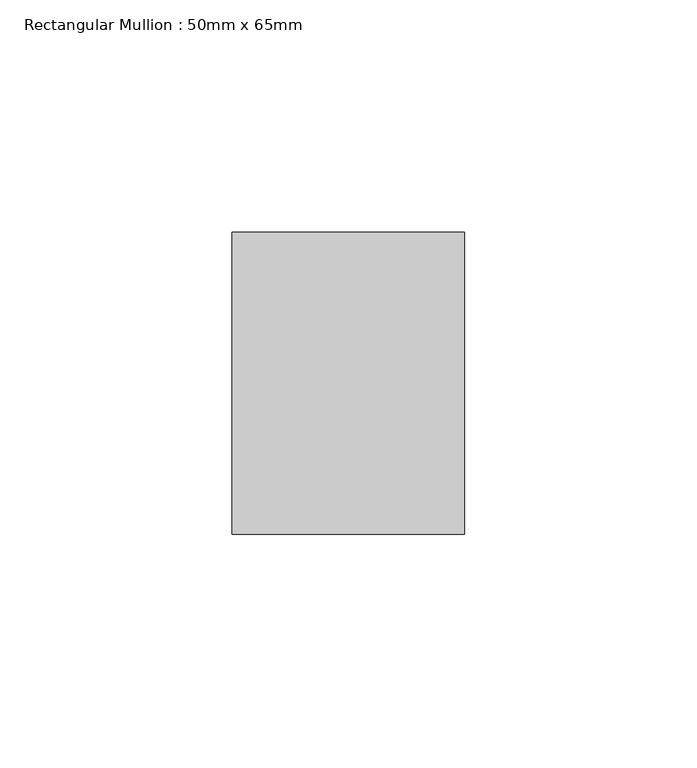
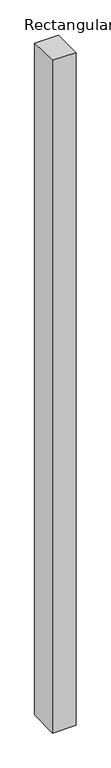
"""IFC4 building model written with IfcOpenShell, lengths in millimetres: member geometry, Rectangular Mullion : 50mm x 65mm."""

from ifc_helpers import new_model, si_unit, origin, place, context, project, spatial, faceted_brep, source, transform, mapped, element, save


def rectangular_mullion_50mm_x_65mm_18242b77(model_context):
    return source(origin(), model_context, "Body", "Brep", [
        faceted_brep([(-25.0, 32.5, -0.5683168), (25.0, 32.5, -0.568323), (25.0, 32.5, -1499.2871489), (-25.0, 32.5, -1499.2871567), (-25.0, -32.5, 0.568323), (-25.0, -32.5, -1500.7125728), (25.0, -32.5, 0.5683168), (25.0, -32.5, -1500.7125651)], [[[0, 1, 2, 3]], [[4, 0, 3, 5]], [[6, 4, 5, 7]], [[1, 6, 7, 2]], [[1, 0, 4, 6]], [[2, 7, 5, 3]]]),
    ])


if __name__ == "__main__":
    model = new_model("IFC4")
    model_context = context("Model", 3, world=origin())
    ifc_project = project(units=[si_unit("LENGTHUNIT", "METRE", prefix="MILLI")], contexts=[model_context])
    site = spatial("IfcSite", under=ifc_project)
    building = spatial("IfcBuilding", under=site)
    placement = place(None, origin())
    rectangular_mullion_50mm_x_65mm_shape = rectangular_mullion_50mm_x_65mm_18242b77(model_context)
    element("IfcMember", 1, ObjectType="Rectangular Mullion : 50mm x 65mm", at=placement, inside=building, context=model_context, shape_type="MappedRepresentation", body=[
        mapped(rectangular_mullion_50mm_x_65mm_shape, transform((0.0, 0.0, 0.0), x_axis=(1.0, 0.0, 0.0), y_axis=(0.0, 1.0, 0.0), z_axis=(0.0, 0.0, 1.0))),
    ])
    save(model, "model.ifc")
